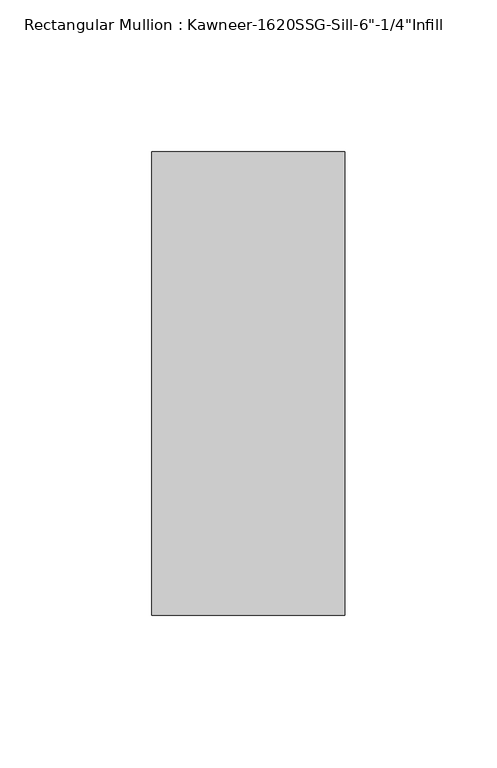
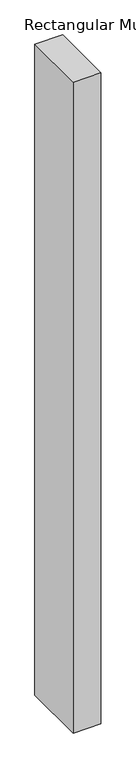
"""IFC4 building model written with IfcOpenShell, lengths in millimetres: member geometry."""

from ifc_helpers import new_model, si_unit, frame, origin, place, context, project, spatial, polyline, outline, extrude, source, transform, mapped, element, save


def member_c36cda0f(model_context):
    return source(origin(), model_context, "Body", "SweptSolid", [
        extrude(outline(polyline([(-63.5, 28.575), (0.0, 28.575), (0.0, -123.825), (-63.5, -123.825), (-63.5, 28.575)])), frame((0.0, 0.0, -1582.1421875), z_axis=(0.0, 0.0, 1.0), x_axis=(1.0, 0.0, 0.0)), (0.0, 0.0, 1.0), 1582.1421875),
    ])


if __name__ == "__main__":
    model = new_model("IFC4")
    model_context = context("Model", 3, world=origin())
    ifc_project = project(units=[si_unit("LENGTHUNIT", "METRE", prefix="MILLI")], contexts=[model_context])
    site = spatial("IfcSite", under=ifc_project)
    building = spatial("IfcBuilding", under=site)
    placement = place(None, origin())
    member_shape = member_c36cda0f(model_context)
    element("IfcMember", 1, ObjectType="Rectangular Mullion : Kawneer-1620SSG-Sill-6\"-1/4\"Infill", at=placement, inside=building, context=model_context, shape_type="MappedRepresentation", body=[
        mapped(member_shape, transform((0.0, 0.0, 0.0), x_axis=(1.0, 0.0, 0.0), y_axis=(0.0, 1.0, 0.0), z_axis=(0.0, 0.0, 1.0))),
    ])
    save(model, "model.ifc")
